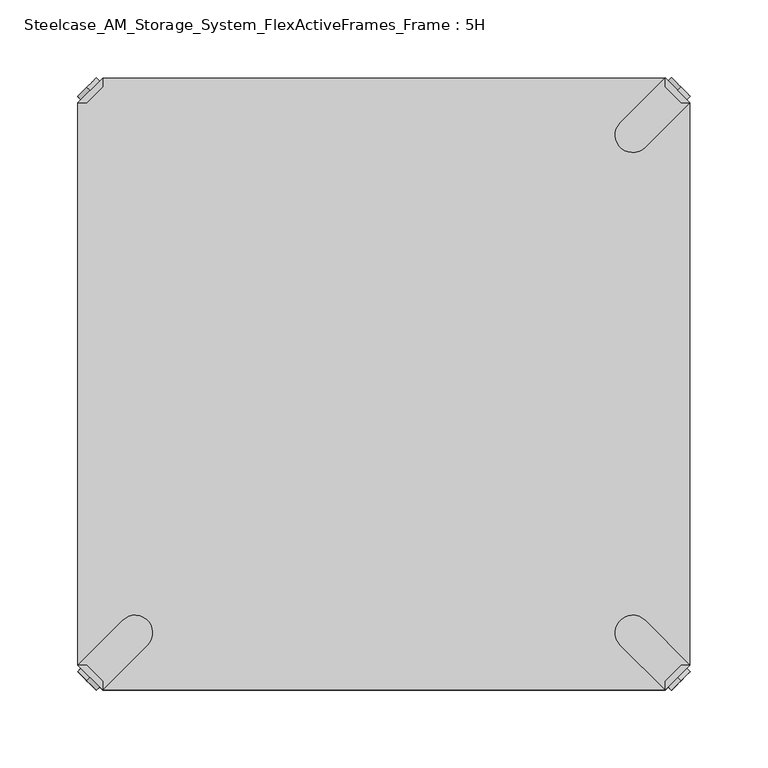
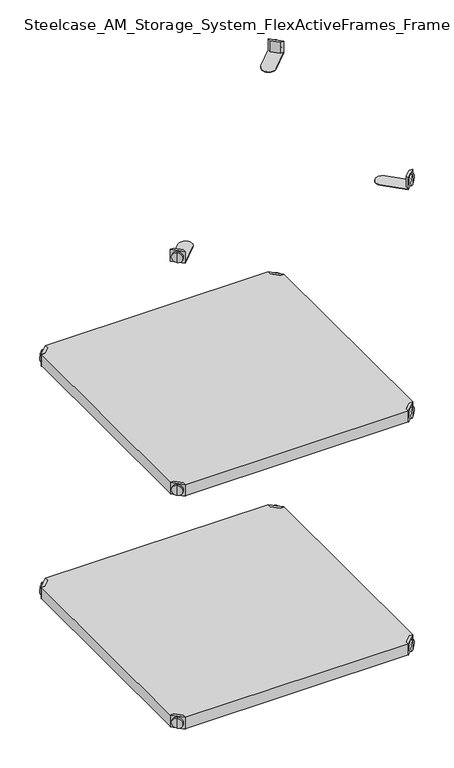
"""IFC4 building model written with IfcOpenShell, lengths in millimetres: furniture geometry, Steelcase_AM_Storage_System_FlexActiveFrames_Frame : 5H."""

from ifc_helpers import new_model, si_unit, frame, origin, place, context, project, spatial, polyline, circle_curve, outline, extrude, source, transform, mapped, element, save
from ifc_brep_helpers import plane_surface, cylinder_surface, advanced_brep


def steelcase_am_storage_system_flexactiveframes_frame_5h_7801c0e6(model_context):
    return source(origin(), model_context, "Body", "SolidModel", [
        advanced_brep(
        [(389.0398449, -10.9601551, 498.5), (389.0398449, -10.9601551, 507.0), (389.0398449, -10.9601551, 515.5), (391.1611652, -8.8388348, 498.5), (391.1611652, -8.8388348, 515.5), (391.1611652, -8.8388348, 507.0)],
        [
            (0, 1),
            (1, 2),
            (2, 0, circle_curve(frame((389.0398449, -10.9601551, 507.0), z_axis=(-0.7071067811865556, -0.7071067811865395, 0.0), x_axis=(0.0, 0.0, 1.0)), 8.5)),
            (0, 2, circle_curve(frame((389.0398449, -10.9601551, 507.0), z_axis=(-0.7071067811865556, -0.7071067811865395, 0.0), x_axis=(0.0, 0.0, 1.0)), 8.5)),
            (3, 0),
            (2, 4),
            (4, 3, circle_curve(frame((391.1611652, -8.8388348, 507.0), z_axis=(-0.7071067811865556, -0.7071067811865395, 0.0), x_axis=(0.0, 0.0, 1.0)), 8.5)),
            (3, 4, circle_curve(frame((391.1611652, -8.8388348, 507.0), z_axis=(-0.7071067811865556, -0.7071067811865395, 0.0), x_axis=(0.0, 0.0, 1.0)), 8.5)),
            (5, 3),
            (4, 5),
        ],
        [
            plane_surface(frame((389.0398449, -10.9601551, 507.0), z_axis=(-0.7071067811865552, -0.7071067811865399, 0.0), x_axis=(0.0, 0.0, 1.0))),
            cylinder_surface(frame((391.1611652, -8.8388348, 507.0), z_axis=(0.7071067811865556, 0.7071067811865395, 0.0), x_axis=(0.0, 0.0, 1.0)), 8.5),
            plane_surface(frame((391.1611652, -8.8388348, 507.0), z_axis=(0.7071067811865552, 0.7071067811865399, 0.0), x_axis=(0.0, 0.0, 1.0))),
        ],
        [
            (0, [[1, 2, 3]]),
            (0, [[-2, -1, 4]]),
            (1, [[5, -3, 6, 7]]),
            (1, [[-6, -4, -5, 8]]),
            (2, [[9, -7, 10]]),
            (2, [[-10, -8, -9]]),
        ],
    ),
        advanced_brep(
        [(381.0796898, -3.0, 517.0), (381.0796898, -8.6568542, 517.0), (391.3431458, -18.9203102, 517.0), (397.0, -18.9203102, 517.0), (397.0, -18.9203102, 498.0), (397.0, -18.9203102, 497.0), (381.0796898, -3.0, 497.0), (381.0796898, -3.0, 498.0), (381.0796898, -8.6568542, 498.0), (391.3431458, -18.9203102, 498.0), (352.2702923, -31.8093975, 498.0), (368.1906025, -47.7297077, 498.0), (368.1906025, -47.7297077, 497.0), (352.2702923, -31.8093975, 497.0)],
        [
            (0, 1),
            (1, 2),
            (2, 3),
            (3, 0),
            (3, 4),
            (4, 5),
            (5, 6),
            (6, 7),
            (7, 0),
            (1, 8),
            (8, 9),
            (9, 2),
            (7, 8),
            (9, 4),
            (7, 10),
            (10, 11, circle_curve(frame((360.2304474, -39.7695526, 498.0), z_axis=(0.0, 0.0, 1.0), x_axis=(-1.0, 0.0, 0.0)), 11.2573593)),
            (11, 4),
            (5, 12),
            (12, 13, circle_curve(frame((360.2304474, -39.7695526, 497.0), z_axis=(0.0, 0.0, -1.0), x_axis=(-1.0, 0.0, 0.0)), 11.2573593)),
            (13, 6),
            (11, 12),
            (10, 13),
        ],
        [
            plane_surface(frame((438.8756299, -60.7959401, 517.0), z_axis=(0.0, 0.0, 1.0000000000000002), x_axis=(0.7071067811865465, -0.7071067811865487, 0.0))),
            plane_surface(frame((381.0796898, -3.0, 517.0), z_axis=(0.7071067811865487, 0.7071067811865465, 0.0), x_axis=(0.0, 0.0, -1.0))),
            plane_surface(frame((391.3431458, -18.9203102, 517.0), z_axis=(-0.7071067811865573, -0.7071067811865377, 0.0), x_axis=(0.0, 0.0, -1.0))),
            plane_surface(frame((381.0796898, -8.6568542, 517.0), z_axis=(-1.0, 0.0, 0.0), x_axis=(0.0, 0.0, -1.0))),
            plane_surface(frame((397.0, -18.9203102, 517.0), z_axis=(0.0, -1.0, 0.0), x_axis=(0.0, 0.0, -1.0))),
            plane_surface(frame((397.0, -18.9203102, 498.0), z_axis=(0.0, 0.0, 1.0), x_axis=(0.7071067811865392, -0.7071067811865558, 0.0))),
            plane_surface(frame((397.0, -18.9203102, 497.0), z_axis=(0.0, 0.0, -1.0), x_axis=(-0.7071067811865392, 0.7071067811865558, 0.0))),
            plane_surface(frame((397.0, -18.9203102, 498.0), z_axis=(0.7071067811865399, -0.7071067811865552, 0.0), x_axis=(0.0, 0.0, -1.0))),
            cylinder_surface(frame((360.2304474, -39.7695526, 497.0), z_axis=(0.0, 0.0, 1.0), x_axis=(-1.0, 0.0, 0.0)), 11.2573593),
            plane_surface(frame((352.2702923, -31.8093975, 498.0), z_axis=(-0.7071067811865388, 0.7071067811865563, 0.0), x_axis=(0.0, 0.0, -1.0))),
        ],
        [
            (0, [[1, 2, 3, 4]]),
            (1, [[5, 6, 7, 8, 9, -4]]),
            (2, [[10, 11, 12, -2]]),
            (3, [[-9, 13, -10, -1]]),
            (4, [[-12, 14, -5, -3]]),
            (5, [[-14, -11, -13, 15, 16, 17]]),
            (6, [[-7, 18, 19, 20]]),
            (7, [[21, -18, -6, -17]]),
            (8, [[22, -19, -21, -16]]),
            (9, [[-8, -20, -22, -15]]),
        ],
    ),
        advanced_brep(
        [(389.0398449, -389.0398449, 498.5), (389.0398449, -389.0398449, 515.5), (389.0398449, -389.0398449, 507.0), (391.1611652, -391.1611652, 498.5), (391.1611652, -391.1611652, 515.5), (391.1611652, -391.1611652, 507.0)],
        [
            (0, 1, circle_curve(frame((389.0398449, -389.0398449, 507.0), z_axis=(-0.7071067811865509, 0.7071067811865441, 0.0), x_axis=(0.0, 0.0, 1.0)), 8.5)),
            (1, 2),
            (2, 0),
            (1, 0, circle_curve(frame((389.0398449, -389.0398449, 507.0), z_axis=(-0.7071067811865509, 0.7071067811865441, 0.0), x_axis=(0.0, 0.0, 1.0)), 8.5)),
            (3, 4, circle_curve(frame((391.1611652, -391.1611652, 507.0), z_axis=(-0.7071067811865509, 0.7071067811865441, 0.0), x_axis=(0.0, 0.0, 1.0)), 8.5)),
            (4, 1),
            (0, 3),
            (4, 3, circle_curve(frame((391.1611652, -391.1611652, 507.0), z_axis=(-0.7071067811865509, 0.7071067811865441, 0.0), x_axis=(0.0, 0.0, 1.0)), 8.5)),
            (5, 4),
            (3, 5),
        ],
        [
            plane_surface(frame((389.0398449, -389.0398449, 507.0), z_axis=(-0.7071067811865506, 0.7071067811865446, 0.0), x_axis=(0.0, 0.0, 1.0))),
            cylinder_surface(frame((391.1611652, -391.1611652, 507.0), z_axis=(0.7071067811865509, -0.7071067811865441, 0.0), x_axis=(0.0, 0.0, 1.0)), 8.5),
            plane_surface(frame((391.1611652, -391.1611652, 507.0), z_axis=(0.7071067811865506, -0.7071067811865446, 0.0), x_axis=(0.0, 0.0, 1.0))),
        ],
        [
            (0, [[1, 2, 3]]),
            (0, [[4, -3, -2]]),
            (1, [[5, 6, -1, 7]]),
            (1, [[8, -7, -4, -6]]),
            (2, [[9, -5, 10]]),
            (2, [[-10, -8, -9]]),
        ],
    ),
        advanced_brep(
        [(381.0796898, -397.0, 517.0), (397.0, -381.0796898, 517.0), (391.3431458, -381.0796898, 517.0), (381.0796898, -391.3431458, 517.0), (381.0796898, -397.0, 498.0), (381.0796898, -397.0, 497.0), (397.0, -381.0796898, 497.0), (397.0, -381.0796898, 498.0), (391.3431458, -381.0796898, 498.0), (381.0796898, -391.3431458, 498.0), (368.1906025, -352.2702923, 498.0), (352.2702923, -368.1906025, 498.0), (352.2702923, -368.1906025, 497.0), (368.1906025, -352.2702923, 497.0)],
        [
            (0, 1),
            (1, 2),
            (2, 3),
            (3, 0),
            (0, 4),
            (4, 5),
            (5, 6),
            (6, 7),
            (7, 1),
            (2, 8),
            (8, 9),
            (9, 3),
            (9, 4),
            (7, 8),
            (7, 10),
            (10, 11, circle_curve(frame((360.2304474, -360.2304474, 498.0), z_axis=(0.0, 0.0, 1.0), x_axis=(-1.0, 0.0, 0.0)), 11.2573593)),
            (11, 4),
            (5, 12),
            (12, 13, circle_curve(frame((360.2304474, -360.2304474, 497.0), z_axis=(0.0, 0.0, -1.0), x_axis=(-1.0, 0.0, 0.0)), 11.2573593)),
            (13, 6),
            (13, 10),
            (12, 11),
        ],
        [
            plane_surface(frame((438.8756299, -339.2040599, 517.0), z_axis=(0.0, 0.0, 1.0000000000000002), x_axis=(0.7071067811865511, 0.707106781186544, 0.0))),
            plane_surface(frame((381.0796898, -397.0, 517.0), z_axis=(0.707106781186544, -0.7071067811865511, 0.0), x_axis=(0.0, 0.0, -1.0))),
            plane_surface(frame((391.3431458, -381.0796898, 517.0), z_axis=(-0.7071067811865527, 0.7071067811865424, 0.0), x_axis=(0.0, 0.0, -1.0))),
            plane_surface(frame((381.0796898, -391.3431458, 517.0), z_axis=(-1.0, 0.0, 0.0), x_axis=(0.0, 0.0, -1.0))),
            plane_surface(frame((397.0, -381.0796898, 517.0), z_axis=(0.0, 1.0, 0.0), x_axis=(0.0, 0.0, -1.0))),
            plane_surface(frame((397.0, -381.0796898, 498.0), z_axis=(0.0, 0.0, 1.0), x_axis=(0.7071067811865439, 0.7071067811865511, 0.0))),
            plane_surface(frame((397.0, -381.0796898, 497.0), z_axis=(0.0, 0.0, -1.0), x_axis=(-0.7071067811865439, -0.7071067811865511, 0.0))),
            plane_surface(frame((397.0, -381.0796898, 498.0), z_axis=(0.7071067811865446, 0.7071067811865506, 0.0), x_axis=(0.0, 0.0, -1.0))),
            cylinder_surface(frame((360.2304474, -360.2304474, 497.0), z_axis=(0.0, 0.0, 1.0), x_axis=(-1.0, 0.0, 0.0)), 11.2573593),
            plane_surface(frame((352.2702923, -368.1906025, 498.0), z_axis=(-0.7071067811865435, -0.7071067811865517, 0.0), x_axis=(0.0, 0.0, -1.0))),
        ],
        [
            (0, [[1, 2, 3, 4]]),
            (1, [[-1, 5, 6, 7, 8, 9]]),
            (2, [[-3, 10, 11, 12]]),
            (3, [[-4, -12, 13, -5]]),
            (4, [[-2, -9, 14, -10]]),
            (5, [[15, 16, 17, -13, -11, -14]]),
            (6, [[18, 19, 20, -7]]),
            (7, [[-15, -8, -20, 21]]),
            (8, [[-16, -21, -19, 22]]),
            (9, [[-17, -22, -18, -6]]),
        ],
    ),
        advanced_brep(
        [(10.9601551, -389.0398449, 498.5), (10.9601551, -389.0398449, 507.0), (10.9601551, -389.0398449, 515.5), (8.8388348, -391.1611652, 498.5), (8.8388348, -391.1611652, 515.5), (8.8388348, -391.1611652, 507.0)],
        [
            (0, 1),
            (1, 2),
            (2, 0, circle_curve(frame((10.9601551, -389.0398449, 507.0), z_axis=(0.7071067811865509, 0.7071067811865441, 0.0), x_axis=(0.0, 0.0, 1.0)), 8.5)),
            (0, 2, circle_curve(frame((10.9601551, -389.0398449, 507.0), z_axis=(0.7071067811865509, 0.7071067811865441, 0.0), x_axis=(0.0, 0.0, 1.0)), 8.5)),
            (3, 0),
            (2, 4),
            (4, 3, circle_curve(frame((8.8388348, -391.1611652, 507.0), z_axis=(0.7071067811865509, 0.7071067811865441, 0.0), x_axis=(0.0, 0.0, 1.0)), 8.5)),
            (3, 4, circle_curve(frame((8.8388348, -391.1611652, 507.0), z_axis=(0.7071067811865509, 0.7071067811865441, 0.0), x_axis=(0.0, 0.0, 1.0)), 8.5)),
            (5, 3),
            (4, 5),
        ],
        [
            plane_surface(frame((10.9601551, -389.0398449, 507.0), z_axis=(0.7071067811865506, 0.7071067811865446, 0.0), x_axis=(0.0, 0.0, 1.0))),
            cylinder_surface(frame((8.8388348, -391.1611652, 507.0), z_axis=(-0.7071067811865509, -0.7071067811865441, 0.0), x_axis=(0.0, 0.0, 1.0)), 8.5),
            plane_surface(frame((8.8388348, -391.1611652, 507.0), z_axis=(-0.7071067811865506, -0.7071067811865446, 0.0), x_axis=(0.0, 0.0, 1.0))),
        ],
        [
            (0, [[1, 2, 3]]),
            (0, [[-2, -1, 4]]),
            (1, [[5, -3, 6, 7]]),
            (1, [[-6, -4, -5, 8]]),
            (2, [[9, -7, 10]]),
            (2, [[-10, -8, -9]]),
        ],
    ),
        advanced_brep(
        [(18.9203102, -397.0, 517.0), (18.9203102, -391.3431458, 517.0), (8.6568542, -381.0796898, 517.0), (3.0, -381.0796898, 517.0), (3.0, -381.0796898, 498.0), (3.0, -381.0796898, 497.0), (18.9203102, -397.0, 497.0), (18.9203102, -397.0, 498.0), (18.9203102, -391.3431458, 498.0), (8.6568542, -381.0796898, 498.0), (47.7297077, -368.1906025, 498.0), (31.8093975, -352.2702923, 498.0), (31.8093975, -352.2702923, 497.0), (47.7297077, -368.1906025, 497.0)],
        [
            (0, 1),
            (1, 2),
            (2, 3),
            (3, 0),
            (3, 4),
            (4, 5),
            (5, 6),
            (6, 7),
            (7, 0),
            (1, 8),
            (8, 9),
            (9, 2),
            (7, 8),
            (9, 4),
            (7, 10),
            (10, 11, circle_curve(frame((39.7695526, -360.2304474, 498.0), z_axis=(0.0, 0.0, 1.0), x_axis=(1.0, 0.0, 0.0)), 11.2573593)),
            (11, 4),
            (5, 12),
            (12, 13, circle_curve(frame((39.7695526, -360.2304474, 497.0), z_axis=(0.0, 0.0, -1.0), x_axis=(1.0, 0.0, 0.0)), 11.2573593)),
            (13, 6),
            (11, 12),
            (10, 13),
        ],
        [
            plane_surface(frame((-38.8756299, -339.2040599, 517.0), z_axis=(0.0, 0.0, 1.0000000000000002), x_axis=(-0.7071067811865511, 0.707106781186544, 0.0))),
            plane_surface(frame((18.9203102, -397.0, 517.0), z_axis=(-0.707106781186544, -0.7071067811865511, 0.0), x_axis=(0.0, 0.0, -1.0))),
            plane_surface(frame((8.6568542, -381.0796898, 517.0), z_axis=(0.7071067811865527, 0.7071067811865424, 0.0), x_axis=(0.0, 0.0, -1.0))),
            plane_surface(frame((18.9203102, -391.3431458, 517.0), z_axis=(1.0, 0.0, 0.0), x_axis=(0.0, 0.0, -1.0))),
            plane_surface(frame((3.0, -381.0796898, 517.0), z_axis=(0.0, 1.0, 0.0), x_axis=(0.0, 0.0, -1.0))),
            plane_surface(frame((3.0, -381.0796898, 498.0), z_axis=(0.0, 0.0, 1.0), x_axis=(-0.7071067811865439, 0.7071067811865511, 0.0))),
            plane_surface(frame((3.0, -381.0796898, 497.0), z_axis=(0.0, 0.0, -1.0), x_axis=(0.7071067811865439, -0.7071067811865511, 0.0))),
            plane_surface(frame((3.0, -381.0796898, 498.0), z_axis=(-0.7071067811865446, 0.7071067811865506, 0.0), x_axis=(0.0, 0.0, -1.0))),
            cylinder_surface(frame((39.7695526, -360.2304474, 497.0), z_axis=(0.0, 0.0, 1.0), x_axis=(1.0, 0.0, 0.0)), 11.2573593),
            plane_surface(frame((47.7297077, -368.1906025, 498.0), z_axis=(0.7071067811865435, -0.7071067811865517, 0.0), x_axis=(0.0, 0.0, -1.0))),
        ],
        [
            (0, [[1, 2, 3, 4]]),
            (1, [[5, 6, 7, 8, 9, -4]]),
            (2, [[10, 11, 12, -2]]),
            (3, [[-9, 13, -10, -1]]),
            (4, [[-12, 14, -5, -3]]),
            (5, [[-14, -11, -13, 15, 16, 17]]),
            (6, [[-7, 18, 19, 20]]),
            (7, [[21, -18, -6, -17]]),
            (8, [[22, -19, -21, -16]]),
            (9, [[-8, -20, -22, -15]]),
        ],
    ),
        advanced_brep(
        [(10.9601551, -10.9601551, 498.5), (10.9601551, -10.9601551, 515.5), (10.9601551, -10.9601551, 507.0), (8.8388348, -8.8388348, 498.5), (8.8388348, -8.8388348, 515.5), (8.8388348, -8.8388348, 507.0)],
        [
            (0, 1, circle_curve(frame((10.9601551, -10.9601551, 507.0), z_axis=(0.7071067811865464, -0.7071067811865487, 0.0), x_axis=(0.0, 0.0, 1.0)), 8.5)),
            (1, 2),
            (2, 0),
            (1, 0, circle_curve(frame((10.9601551, -10.9601551, 507.0), z_axis=(0.7071067811865464, -0.7071067811865487, 0.0), x_axis=(0.0, 0.0, 1.0)), 8.5)),
            (3, 4, circle_curve(frame((8.8388348, -8.8388348, 507.0), z_axis=(0.7071067811865464, -0.7071067811865487, 0.0), x_axis=(0.0, 0.0, 1.0)), 8.5)),
            (4, 1),
            (0, 3),
            (4, 3, circle_curve(frame((8.8388348, -8.8388348, 507.0), z_axis=(0.7071067811865464, -0.7071067811865487, 0.0), x_axis=(0.0, 0.0, 1.0)), 8.5)),
            (5, 4),
            (3, 5),
        ],
        [
            plane_surface(frame((10.9601551, -10.9601551, 507.0), z_axis=(0.707106781186546, -0.7071067811865491, 0.0), x_axis=(0.0, 0.0, 1.0))),
            cylinder_surface(frame((8.8388348, -8.8388348, 507.0), z_axis=(-0.7071067811865464, 0.7071067811865487, 0.0), x_axis=(0.0, 0.0, 1.0)), 8.5),
            plane_surface(frame((8.8388348, -8.8388348, 507.0), z_axis=(-0.707106781186546, 0.7071067811865491, 0.0), x_axis=(0.0, 0.0, 1.0))),
        ],
        [
            (0, [[1, 2, 3]]),
            (0, [[4, -3, -2]]),
            (1, [[5, 6, -1, 7]]),
            (1, [[8, -7, -4, -6]]),
            (2, [[9, -5, 10]]),
            (2, [[-10, -8, -9]]),
        ],
    ),
        advanced_brep(
        [(18.9203102, -3.0, 517.0), (3.0, -18.9203102, 517.0), (8.6568542, -18.9203102, 517.0), (18.9203102, -8.6568542, 517.0), (18.9203102, -3.0, 498.0), (18.9203102, -3.0, 497.0), (3.0, -18.9203102, 497.0), (3.0, -18.9203102, 498.0), (8.6568542, -18.9203102, 498.0), (18.9203102, -8.6568542, 498.0), (31.8093975, -47.7297077, 498.0), (47.7297077, -31.8093975, 498.0), (47.7297077, -31.8093975, 497.0), (31.8093975, -47.7297077, 497.0)],
        [
            (0, 1),
            (1, 2),
            (2, 3),
            (3, 0),
            (0, 4),
            (4, 5),
            (5, 6),
            (6, 7),
            (7, 1),
            (2, 8),
            (8, 9),
            (9, 3),
            (9, 4),
            (7, 8),
            (7, 10),
            (10, 11, circle_curve(frame((39.7695526, -39.7695526, 498.0), z_axis=(0.0, 0.0, 1.0), x_axis=(1.0, 0.0, 0.0)), 11.2573593)),
            (11, 4),
            (5, 12),
            (12, 13, circle_curve(frame((39.7695526, -39.7695526, 497.0), z_axis=(0.0, 0.0, -1.0), x_axis=(1.0, 0.0, 0.0)), 11.2573593)),
            (13, 6),
            (13, 10),
            (12, 11),
        ],
        [
            plane_surface(frame((-38.8756299, -60.7959401, 517.0), z_axis=(0.0, 0.0, 1.0000000000000002), x_axis=(-0.7071067811865557, -0.7071067811865395, 0.0))),
            plane_surface(frame((18.9203102, -3.0, 517.0), z_axis=(-0.7071067811865395, 0.7071067811865557, 0.0), x_axis=(0.0, 0.0, -1.0))),
            plane_surface(frame((8.6568542, -18.9203102, 517.0), z_axis=(0.7071067811865481, -0.7071067811865469, 0.0), x_axis=(0.0, 0.0, -1.0))),
            plane_surface(frame((18.9203102, -8.6568542, 517.0), z_axis=(1.0, 0.0, 0.0), x_axis=(0.0, 0.0, -1.0))),
            plane_surface(frame((3.0, -18.9203102, 517.0), z_axis=(0.0, -1.0, 0.0), x_axis=(0.0, 0.0, -1.0))),
            plane_surface(frame((3.0, -18.9203102, 498.0), z_axis=(0.0, 0.0, 1.0), x_axis=(-0.7071067811865485, -0.7071067811865466, 0.0))),
            plane_surface(frame((3.0, -18.9203102, 497.0), z_axis=(0.0, 0.0, -1.0), x_axis=(0.7071067811865485, 0.7071067811865466, 0.0))),
            plane_surface(frame((3.0, -18.9203102, 498.0), z_axis=(-0.7071067811865491, -0.707106781186546, 0.0), x_axis=(0.0, 0.0, -1.0))),
            cylinder_surface(frame((39.7695526, -39.7695526, 497.0), z_axis=(0.0, 0.0, 1.0), x_axis=(1.0, 0.0, 0.0)), 11.2573593),
            plane_surface(frame((47.7297077, -31.8093975, 498.0), z_axis=(0.707106781186548, 0.7071067811865471, 0.0), x_axis=(0.0, 0.0, -1.0))),
        ],
        [
            (0, [[1, 2, 3, 4]]),
            (1, [[-1, 5, 6, 7, 8, 9]]),
            (2, [[-3, 10, 11, 12]]),
            (3, [[-4, -12, 13, -5]]),
            (4, [[-2, -9, 14, -10]]),
            (5, [[15, 16, 17, -13, -11, -14]]),
            (6, [[18, 19, 20, -7]]),
            (7, [[-15, -8, -20, 21]]),
            (8, [[-16, -21, -19, 22]]),
            (9, [[-17, -22, -18, -6]]),
        ],
    ),
        extrude(outline(polyline([(381.0796898, -3.0), (381.0796898, -8.6568542), (391.3431458, -18.9203102), (397.0, -18.9203102), (397.0, -381.0796898), (391.3431458, -381.0796898), (381.0796898, -391.3431458), (381.0796898, -397.0), (18.9203102, -397.0), (18.9203102, -391.3431458), (8.6568542, -381.0796898), (3.0, -381.0796898), (3.0, -18.9203102), (8.6568542, -18.9203102), (18.9203102, -8.6568542), (18.9203102, -3.0), (381.0796898, -3.0)])), frame((0.0, 0.0, 498.0), z_axis=(0.0, 0.0, 1.0), x_axis=(1.0, 0.0, 0.0)), (0.0, 0.0, 1.0), 19.0),
        advanced_brep(
        [(389.0398449, -10.9601551, 898.5), (389.0398449, -10.9601551, 907.0), (389.0398449, -10.9601551, 915.5), (391.1611652, -8.8388348, 898.5), (391.1611652, -8.8388348, 915.5), (391.1611652, -8.8388348, 907.0)],
        [
            (0, 1),
            (1, 2),
            (2, 0, circle_curve(frame((389.0398449, -10.9601551, 907.0), z_axis=(-0.7071067811865556, -0.7071067811865395, 0.0), x_axis=(0.0, 0.0, 1.0)), 8.5)),
            (0, 2, circle_curve(frame((389.0398449, -10.9601551, 907.0), z_axis=(-0.7071067811865556, -0.7071067811865395, 0.0), x_axis=(0.0, 0.0, 1.0)), 8.5)),
            (3, 0),
            (2, 4),
            (4, 3, circle_curve(frame((391.1611652, -8.8388348, 907.0), z_axis=(-0.7071067811865556, -0.7071067811865395, 0.0), x_axis=(0.0, 0.0, 1.0)), 8.5)),
            (3, 4, circle_curve(frame((391.1611652, -8.8388348, 907.0), z_axis=(-0.7071067811865556, -0.7071067811865395, 0.0), x_axis=(0.0, 0.0, 1.0)), 8.5)),
            (5, 3),
            (4, 5),
        ],
        [
            plane_surface(frame((389.0398449, -10.9601551, 907.0), z_axis=(-0.7071067811865552, -0.7071067811865399, 0.0), x_axis=(0.0, 0.0, 1.0))),
            cylinder_surface(frame((391.1611652, -8.8388348, 907.0), z_axis=(0.7071067811865556, 0.7071067811865395, 0.0), x_axis=(0.0, 0.0, 1.0)), 8.5),
            plane_surface(frame((391.1611652, -8.8388348, 907.0), z_axis=(0.7071067811865552, 0.7071067811865399, 0.0), x_axis=(0.0, 0.0, 1.0))),
        ],
        [
            (0, [[1, 2, 3]]),
            (0, [[-2, -1, 4]]),
            (1, [[5, -3, 6, 7]]),
            (1, [[-6, -4, -5, 8]]),
            (2, [[9, -7, 10]]),
            (2, [[-10, -8, -9]]),
        ],
    ),
        advanced_brep(
        [(381.0796898, -3.0, 917.0), (381.0796898, -8.6568542, 917.0), (391.3431458, -18.9203102, 917.0), (397.0, -18.9203102, 917.0), (397.0, -18.9203102, 898.0), (397.0, -18.9203102, 897.0), (381.0796898, -3.0, 897.0), (381.0796898, -3.0, 898.0), (381.0796898, -8.6568542, 898.0), (391.3431458, -18.9203102, 898.0), (352.2702923, -31.8093975, 898.0), (368.1906025, -47.7297077, 898.0), (368.1906025, -47.7297077, 897.0), (352.2702923, -31.8093975, 897.0)],
        [
            (0, 1),
            (1, 2),
            (2, 3),
            (3, 0),
            (3, 4),
            (4, 5),
            (5, 6),
            (6, 7),
            (7, 0),
            (1, 8),
            (8, 9),
            (9, 2),
            (7, 8),
            (9, 4),
            (7, 10),
            (10, 11, circle_curve(frame((360.2304474, -39.7695526, 898.0), z_axis=(0.0, 0.0, 1.0), x_axis=(-1.0, 0.0, 0.0)), 11.2573593)),
            (11, 4),
            (5, 12),
            (12, 13, circle_curve(frame((360.2304474, -39.7695526, 897.0), z_axis=(0.0, 0.0, -1.0), x_axis=(-1.0, 0.0, 0.0)), 11.2573593)),
            (13, 6),
            (11, 12),
            (10, 13),
        ],
        [
            plane_surface(frame((438.8756299, -60.7959401, 917.0), z_axis=(0.0, 0.0, 1.0000000000000002), x_axis=(0.7071067811865465, -0.7071067811865487, 0.0))),
            plane_surface(frame((381.0796898, -3.0, 917.0), z_axis=(0.7071067811865487, 0.7071067811865465, 0.0), x_axis=(0.0, 0.0, -1.0))),
            plane_surface(frame((391.3431458, -18.9203102, 917.0), z_axis=(-0.7071067811865573, -0.7071067811865377, 0.0), x_axis=(0.0, 0.0, -1.0))),
            plane_surface(frame((381.0796898, -8.6568542, 917.0), z_axis=(-1.0, 0.0, 0.0), x_axis=(0.0, 0.0, -1.0))),
            plane_surface(frame((397.0, -18.9203102, 917.0), z_axis=(0.0, -1.0, 0.0), x_axis=(0.0, 0.0, -1.0))),
            plane_surface(frame((397.0, -18.9203102, 898.0), z_axis=(0.0, 0.0, 1.0), x_axis=(0.7071067811865392, -0.7071067811865558, 0.0))),
            plane_surface(frame((397.0, -18.9203102, 897.0), z_axis=(0.0, 0.0, -1.0), x_axis=(-0.7071067811865392, 0.7071067811865558, 0.0))),
            plane_surface(frame((397.0, -18.9203102, 898.0), z_axis=(0.7071067811865399, -0.7071067811865552, 0.0), x_axis=(0.0, 0.0, -1.0))),
            cylinder_surface(frame((360.2304474, -39.7695526, 897.0), z_axis=(0.0, 0.0, 1.0), x_axis=(-1.0, 0.0, 0.0)), 11.2573593),
            plane_surface(frame((352.2702923, -31.8093975, 898.0), z_axis=(-0.7071067811865388, 0.7071067811865563, 0.0), x_axis=(0.0, 0.0, -1.0))),
        ],
        [
            (0, [[1, 2, 3, 4]]),
            (1, [[5, 6, 7, 8, 9, -4]]),
            (2, [[10, 11, 12, -2]]),
            (3, [[-9, 13, -10, -1]]),
            (4, [[-12, 14, -5, -3]]),
            (5, [[-14, -11, -13, 15, 16, 17]]),
            (6, [[-7, 18, 19, 20]]),
            (7, [[21, -18, -6, -17]]),
            (8, [[22, -19, -21, -16]]),
            (9, [[-8, -20, -22, -15]]),
        ],
    ),
        advanced_brep(
        [(389.0398449, -389.0398449, 898.5), (389.0398449, -389.0398449, 915.5), (389.0398449, -389.0398449, 907.0), (391.1611652, -391.1611652, 898.5), (391.1611652, -391.1611652, 915.5), (391.1611652, -391.1611652, 907.0)],
        [
            (0, 1, circle_curve(frame((389.0398449, -389.0398449, 907.0), z_axis=(-0.7071067811865509, 0.7071067811865441, 0.0), x_axis=(0.0, 0.0, 1.0)), 8.5)),
            (1, 2),
            (2, 0),
            (1, 0, circle_curve(frame((389.0398449, -389.0398449, 907.0), z_axis=(-0.7071067811865509, 0.7071067811865441, 0.0), x_axis=(0.0, 0.0, 1.0)), 8.5)),
            (3, 4, circle_curve(frame((391.1611652, -391.1611652, 907.0), z_axis=(-0.7071067811865509, 0.7071067811865441, 0.0), x_axis=(0.0, 0.0, 1.0)), 8.5)),
            (4, 1),
            (0, 3),
            (4, 3, circle_curve(frame((391.1611652, -391.1611652, 907.0), z_axis=(-0.7071067811865509, 0.7071067811865441, 0.0), x_axis=(0.0, 0.0, 1.0)), 8.5)),
            (5, 4),
            (3, 5),
        ],
        [
            plane_surface(frame((389.0398449, -389.0398449, 907.0), z_axis=(-0.7071067811865506, 0.7071067811865446, 0.0), x_axis=(0.0, 0.0, 1.0))),
            cylinder_surface(frame((391.1611652, -391.1611652, 907.0), z_axis=(0.7071067811865509, -0.7071067811865441, 0.0), x_axis=(0.0, 0.0, 1.0)), 8.5),
            plane_surface(frame((391.1611652, -391.1611652, 907.0), z_axis=(0.7071067811865506, -0.7071067811865446, 0.0), x_axis=(0.0, 0.0, 1.0))),
        ],
        [
            (0, [[1, 2, 3]]),
            (0, [[4, -3, -2]]),
            (1, [[5, 6, -1, 7]]),
            (1, [[8, -7, -4, -6]]),
            (2, [[9, -5, 10]]),
            (2, [[-10, -8, -9]]),
        ],
    ),
        advanced_brep(
        [(381.0796898, -397.0, 917.0), (397.0, -381.0796898, 917.0), (391.3431458, -381.0796898, 917.0), (381.0796898, -391.3431458, 917.0), (381.0796898, -397.0, 898.0), (381.0796898, -397.0, 897.0), (397.0, -381.0796898, 897.0), (397.0, -381.0796898, 898.0), (391.3431458, -381.0796898, 898.0), (381.0796898, -391.3431458, 898.0), (368.1906025, -352.2702923, 898.0), (352.2702923, -368.1906025, 898.0), (352.2702923, -368.1906025, 897.0), (368.1906025, -352.2702923, 897.0)],
        [
            (0, 1),
            (1, 2),
            (2, 3),
            (3, 0),
            (0, 4),
            (4, 5),
            (5, 6),
            (6, 7),
            (7, 1),
            (2, 8),
            (8, 9),
            (9, 3),
            (9, 4),
            (7, 8),
            (7, 10),
            (10, 11, circle_curve(frame((360.2304474, -360.2304474, 898.0), z_axis=(0.0, 0.0, 1.0), x_axis=(-1.0, 0.0, 0.0)), 11.2573593)),
            (11, 4),
            (5, 12),
            (12, 13, circle_curve(frame((360.2304474, -360.2304474, 897.0), z_axis=(0.0, 0.0, -1.0), x_axis=(-1.0, 0.0, 0.0)), 11.2573593)),
            (13, 6),
            (13, 10),
            (12, 11),
        ],
        [
            plane_surface(frame((438.8756299, -339.2040599, 917.0), z_axis=(0.0, 0.0, 1.0000000000000002), x_axis=(0.7071067811865511, 0.707106781186544, 0.0))),
            plane_surface(frame((381.0796898, -397.0, 917.0), z_axis=(0.707106781186544, -0.7071067811865511, 0.0), x_axis=(0.0, 0.0, -1.0))),
            plane_surface(frame((391.3431458, -381.0796898, 917.0), z_axis=(-0.7071067811865527, 0.7071067811865424, 0.0), x_axis=(0.0, 0.0, -1.0))),
            plane_surface(frame((381.0796898, -391.3431458, 917.0), z_axis=(-1.0, 0.0, 0.0), x_axis=(0.0, 0.0, -1.0))),
            plane_surface(frame((397.0, -381.0796898, 917.0), z_axis=(0.0, 1.0, 0.0), x_axis=(0.0, 0.0, -1.0))),
            plane_surface(frame((397.0, -381.0796898, 898.0), z_axis=(0.0, 0.0, 1.0), x_axis=(0.7071067811865439, 0.7071067811865511, 0.0))),
            plane_surface(frame((397.0, -381.0796898, 897.0), z_axis=(0.0, 0.0, -1.0), x_axis=(-0.7071067811865439, -0.7071067811865511, 0.0))),
            plane_surface(frame((397.0, -381.0796898, 898.0), z_axis=(0.7071067811865446, 0.7071067811865506, 0.0), x_axis=(0.0, 0.0, -1.0))),
            cylinder_surface(frame((360.2304474, -360.2304474, 897.0), z_axis=(0.0, 0.0, 1.0), x_axis=(-1.0, 0.0, 0.0)), 11.2573593),
            plane_surface(frame((352.2702923, -368.1906025, 898.0), z_axis=(-0.7071067811865435, -0.7071067811865517, 0.0), x_axis=(0.0, 0.0, -1.0))),
        ],
        [
            (0, [[1, 2, 3, 4]]),
            (1, [[-1, 5, 6, 7, 8, 9]]),
            (2, [[-3, 10, 11, 12]]),
            (3, [[-4, -12, 13, -5]]),
            (4, [[-2, -9, 14, -10]]),
            (5, [[15, 16, 17, -13, -11, -14]]),
            (6, [[18, 19, 20, -7]]),
            (7, [[-15, -8, -20, 21]]),
            (8, [[-16, -21, -19, 22]]),
            (9, [[-17, -22, -18, -6]]),
        ],
    ),
        advanced_brep(
        [(10.9601551, -389.0398449, 898.5), (10.9601551, -389.0398449, 907.0), (10.9601551, -389.0398449, 915.5), (8.8388348, -391.1611652, 898.5), (8.8388348, -391.1611652, 915.5), (8.8388348, -391.1611652, 907.0)],
        [
            (0, 1),
            (1, 2),
            (2, 0, circle_curve(frame((10.9601551, -389.0398449, 907.0), z_axis=(0.7071067811865509, 0.7071067811865441, 0.0), x_axis=(0.0, 0.0, 1.0)), 8.5)),
            (0, 2, circle_curve(frame((10.9601551, -389.0398449, 907.0), z_axis=(0.7071067811865509, 0.7071067811865441, 0.0), x_axis=(0.0, 0.0, 1.0)), 8.5)),
            (3, 0),
            (2, 4),
            (4, 3, circle_curve(frame((8.8388348, -391.1611652, 907.0), z_axis=(0.7071067811865509, 0.7071067811865441, 0.0), x_axis=(0.0, 0.0, 1.0)), 8.5)),
            (3, 4, circle_curve(frame((8.8388348, -391.1611652, 907.0), z_axis=(0.7071067811865509, 0.7071067811865441, 0.0), x_axis=(0.0, 0.0, 1.0)), 8.5)),
            (5, 3),
            (4, 5),
        ],
        [
            plane_surface(frame((10.9601551, -389.0398449, 907.0), z_axis=(0.7071067811865506, 0.7071067811865446, 0.0), x_axis=(0.0, 0.0, 1.0))),
            cylinder_surface(frame((8.8388348, -391.1611652, 907.0), z_axis=(-0.7071067811865509, -0.7071067811865441, 0.0), x_axis=(0.0, 0.0, 1.0)), 8.5),
            plane_surface(frame((8.8388348, -391.1611652, 907.0), z_axis=(-0.7071067811865506, -0.7071067811865446, 0.0), x_axis=(0.0, 0.0, 1.0))),
        ],
        [
            (0, [[1, 2, 3]]),
            (0, [[-2, -1, 4]]),
            (1, [[5, -3, 6, 7]]),
            (1, [[-6, -4, -5, 8]]),
            (2, [[9, -7, 10]]),
            (2, [[-10, -8, -9]]),
        ],
    ),
        advanced_brep(
        [(18.9203102, -397.0, 917.0), (18.9203102, -391.3431458, 917.0), (8.6568542, -381.0796898, 917.0), (3.0, -381.0796898, 917.0), (3.0, -381.0796898, 898.0), (3.0, -381.0796898, 897.0), (18.9203102, -397.0, 897.0), (18.9203102, -397.0, 898.0), (18.9203102, -391.3431458, 898.0), (8.6568542, -381.0796898, 898.0), (47.7297077, -368.1906025, 898.0), (31.8093975, -352.2702923, 898.0), (31.8093975, -352.2702923, 897.0), (47.7297077, -368.1906025, 897.0)],
        [
            (0, 1),
            (1, 2),
            (2, 3),
            (3, 0),
            (3, 4),
            (4, 5),
            (5, 6),
            (6, 7),
            (7, 0),
            (1, 8),
            (8, 9),
            (9, 2),
            (7, 8),
            (9, 4),
            (7, 10),
            (10, 11, circle_curve(frame((39.7695526, -360.2304474, 898.0), z_axis=(0.0, 0.0, 1.0), x_axis=(1.0, 0.0, 0.0)), 11.2573593)),
            (11, 4),
            (5, 12),
            (12, 13, circle_curve(frame((39.7695526, -360.2304474, 897.0), z_axis=(0.0, 0.0, -1.0), x_axis=(1.0, 0.0, 0.0)), 11.2573593)),
            (13, 6),
            (11, 12),
            (10, 13),
        ],
        [
            plane_surface(frame((-38.8756299, -339.2040599, 917.0), z_axis=(0.0, 0.0, 1.0000000000000002), x_axis=(-0.7071067811865511, 0.707106781186544, 0.0))),
            plane_surface(frame((18.9203102, -397.0, 917.0), z_axis=(-0.707106781186544, -0.7071067811865511, 0.0), x_axis=(0.0, 0.0, -1.0))),
            plane_surface(frame((8.6568542, -381.0796898, 917.0), z_axis=(0.7071067811865527, 0.7071067811865424, 0.0), x_axis=(0.0, 0.0, -1.0))),
            plane_surface(frame((18.9203102, -391.3431458, 917.0), z_axis=(1.0, 0.0, 0.0), x_axis=(0.0, 0.0, -1.0))),
            plane_surface(frame((3.0, -381.0796898, 917.0), z_axis=(0.0, 1.0, 0.0), x_axis=(0.0, 0.0, -1.0))),
            plane_surface(frame((3.0, -381.0796898, 898.0), z_axis=(0.0, 0.0, 1.0), x_axis=(-0.7071067811865439, 0.7071067811865511, 0.0))),
            plane_surface(frame((3.0, -381.0796898, 897.0), z_axis=(0.0, 0.0, -1.0), x_axis=(0.7071067811865439, -0.7071067811865511, 0.0))),
            plane_surface(frame((3.0, -381.0796898, 898.0), z_axis=(-0.7071067811865446, 0.7071067811865506, 0.0), x_axis=(0.0, 0.0, -1.0))),
            cylinder_surface(frame((39.7695526, -360.2304474, 897.0), z_axis=(0.0, 0.0, 1.0), x_axis=(1.0, 0.0, 0.0)), 11.2573593),
            plane_surface(frame((47.7297077, -368.1906025, 898.0), z_axis=(0.7071067811865435, -0.7071067811865517, 0.0), x_axis=(0.0, 0.0, -1.0))),
        ],
        [
            (0, [[1, 2, 3, 4]]),
            (1, [[5, 6, 7, 8, 9, -4]]),
            (2, [[10, 11, 12, -2]]),
            (3, [[-9, 13, -10, -1]]),
            (4, [[-12, 14, -5, -3]]),
            (5, [[-14, -11, -13, 15, 16, 17]]),
            (6, [[-7, 18, 19, 20]]),
            (7, [[21, -18, -6, -17]]),
            (8, [[22, -19, -21, -16]]),
            (9, [[-8, -20, -22, -15]]),
        ],
    ),
        advanced_brep(
        [(10.9601551, -10.9601551, 898.5), (10.9601551, -10.9601551, 915.5), (10.9601551, -10.9601551, 907.0), (8.8388348, -8.8388348, 898.5), (8.8388348, -8.8388348, 915.5), (8.8388348, -8.8388348, 907.0)],
        [
            (0, 1, circle_curve(frame((10.9601551, -10.9601551, 907.0), z_axis=(0.7071067811865464, -0.7071067811865487, 0.0), x_axis=(0.0, 0.0, 1.0)), 8.5)),
            (1, 2),
            (2, 0),
            (1, 0, circle_curve(frame((10.9601551, -10.9601551, 907.0), z_axis=(0.7071067811865464, -0.7071067811865487, 0.0), x_axis=(0.0, 0.0, 1.0)), 8.5)),
            (3, 4, circle_curve(frame((8.8388348, -8.8388348, 907.0), z_axis=(0.7071067811865464, -0.7071067811865487, 0.0), x_axis=(0.0, 0.0, 1.0)), 8.5)),
            (4, 1),
            (0, 3),
            (4, 3, circle_curve(frame((8.8388348, -8.8388348, 907.0), z_axis=(0.7071067811865464, -0.7071067811865487, 0.0), x_axis=(0.0, 0.0, 1.0)), 8.5)),
            (5, 4),
            (3, 5),
        ],
        [
            plane_surface(frame((10.9601551, -10.9601551, 907.0), z_axis=(0.707106781186546, -0.7071067811865491, 0.0), x_axis=(0.0, 0.0, 1.0))),
            cylinder_surface(frame((8.8388348, -8.8388348, 907.0), z_axis=(-0.7071067811865464, 0.7071067811865487, 0.0), x_axis=(0.0, 0.0, 1.0)), 8.5),
            plane_surface(frame((8.8388348, -8.8388348, 907.0), z_axis=(-0.707106781186546, 0.7071067811865491, 0.0), x_axis=(0.0, 0.0, 1.0))),
        ],
        [
            (0, [[1, 2, 3]]),
            (0, [[4, -3, -2]]),
            (1, [[5, 6, -1, 7]]),
            (1, [[8, -7, -4, -6]]),
            (2, [[9, -5, 10]]),
            (2, [[-10, -8, -9]]),
        ],
    ),
        advanced_brep(
        [(18.9203102, -3.0, 917.0), (3.0, -18.9203102, 917.0), (8.6568542, -18.9203102, 917.0), (18.9203102, -8.6568542, 917.0), (18.9203102, -3.0, 898.0), (18.9203102, -3.0, 897.0), (3.0, -18.9203102, 897.0), (3.0, -18.9203102, 898.0), (8.6568542, -18.9203102, 898.0), (18.9203102, -8.6568542, 898.0), (31.8093975, -47.7297077, 898.0), (47.7297077, -31.8093975, 898.0), (47.7297077, -31.8093975, 897.0), (31.8093975, -47.7297077, 897.0)],
        [
            (0, 1),
            (1, 2),
            (2, 3),
            (3, 0),
            (0, 4),
            (4, 5),
            (5, 6),
            (6, 7),
            (7, 1),
            (2, 8),
            (8, 9),
            (9, 3),
            (9, 4),
            (7, 8),
            (7, 10),
            (10, 11, circle_curve(frame((39.7695526, -39.7695526, 898.0), z_axis=(0.0, 0.0, 1.0), x_axis=(1.0, 0.0, 0.0)), 11.2573593)),
            (11, 4),
            (5, 12),
            (12, 13, circle_curve(frame((39.7695526, -39.7695526, 897.0), z_axis=(0.0, 0.0, -1.0), x_axis=(1.0, 0.0, 0.0)), 11.2573593)),
            (13, 6),
            (13, 10),
            (12, 11),
        ],
        [
            plane_surface(frame((-38.8756299, -60.7959401, 917.0), z_axis=(0.0, 0.0, 1.0000000000000002), x_axis=(-0.7071067811865557, -0.7071067811865395, 0.0))),
            plane_surface(frame((18.9203102, -3.0, 917.0), z_axis=(-0.7071067811865395, 0.7071067811865557, 0.0), x_axis=(0.0, 0.0, -1.0))),
            plane_surface(frame((8.6568542, -18.9203102, 917.0), z_axis=(0.7071067811865481, -0.7071067811865469, 0.0), x_axis=(0.0, 0.0, -1.0))),
            plane_surface(frame((18.9203102, -8.6568542, 917.0), z_axis=(1.0, 0.0, 0.0), x_axis=(0.0, 0.0, -1.0))),
            plane_surface(frame((3.0, -18.9203102, 917.0), z_axis=(0.0, -1.0, 0.0), x_axis=(0.0, 0.0, -1.0))),
            plane_surface(frame((3.0, -18.9203102, 898.0), z_axis=(0.0, 0.0, 1.0), x_axis=(-0.7071067811865485, -0.7071067811865466, 0.0))),
            plane_surface(frame((3.0, -18.9203102, 897.0), z_axis=(0.0, 0.0, -1.0), x_axis=(0.7071067811865485, 0.7071067811865466, 0.0))),
            plane_surface(frame((3.0, -18.9203102, 898.0), z_axis=(-0.7071067811865491, -0.707106781186546, 0.0), x_axis=(0.0, 0.0, -1.0))),
            cylinder_surface(frame((39.7695526, -39.7695526, 897.0), z_axis=(0.0, 0.0, 1.0), x_axis=(1.0, 0.0, 0.0)), 11.2573593),
            plane_surface(frame((47.7297077, -31.8093975, 898.0), z_axis=(0.707106781186548, 0.7071067811865471, 0.0), x_axis=(0.0, 0.0, -1.0))),
        ],
        [
            (0, [[1, 2, 3, 4]]),
            (1, [[-1, 5, 6, 7, 8, 9]]),
            (2, [[-3, 10, 11, 12]]),
            (3, [[-4, -12, 13, -5]]),
            (4, [[-2, -9, 14, -10]]),
            (5, [[15, 16, 17, -13, -11, -14]]),
            (6, [[18, 19, 20, -7]]),
            (7, [[-15, -8, -20, 21]]),
            (8, [[-16, -21, -19, 22]]),
            (9, [[-17, -22, -18, -6]]),
        ],
    ),
        extrude(outline(polyline([(381.0796898, -3.0), (381.0796898, -8.6568542), (391.3431458, -18.9203102), (397.0, -18.9203102), (397.0, -381.0796898), (391.3431458, -381.0796898), (381.0796898, -391.3431458), (381.0796898, -397.0), (18.9203102, -397.0), (18.9203102, -391.3431458), (8.6568542, -381.0796898), (3.0, -381.0796898), (3.0, -18.9203102), (8.6568542, -18.9203102), (18.9203102, -8.6568542), (18.9203102, -3.0), (381.0796898, -3.0)])), frame((0.0, 0.0, 898.0), z_axis=(0.0, 0.0, 1.0), x_axis=(1.0, 0.0, 0.0)), (0.0, 0.0, 1.0), 19.0),
        advanced_brep(
        [(389.0398449, -10.9601551, 1298.5), (389.0398449, -10.9601551, 1307.0), (389.0398449, -10.9601551, 1315.5), (391.1611652, -8.8388348, 1298.5), (391.1611652, -8.8388348, 1315.5), (391.1611652, -8.8388348, 1307.0)],
        [
            (0, 1),
            (1, 2),
            (2, 0, circle_curve(frame((389.0398449, -10.9601551, 1307.0), z_axis=(-0.7071067811865556, -0.7071067811865395, 0.0), x_axis=(0.0, 0.0, 1.0)), 8.5)),
            (0, 2, circle_curve(frame((389.0398449, -10.9601551, 1307.0), z_axis=(-0.7071067811865556, -0.7071067811865395, 0.0), x_axis=(0.0, 0.0, 1.0)), 8.5)),
            (3, 0),
            (2, 4),
            (4, 3, circle_curve(frame((391.1611652, -8.8388348, 1307.0), z_axis=(-0.7071067811865556, -0.7071067811865395, 0.0), x_axis=(0.0, 0.0, 1.0)), 8.5)),
            (3, 4, circle_curve(frame((391.1611652, -8.8388348, 1307.0), z_axis=(-0.7071067811865556, -0.7071067811865395, 0.0), x_axis=(0.0, 0.0, 1.0)), 8.5)),
            (5, 3),
            (4, 5),
        ],
        [
            plane_surface(frame((389.0398449, -10.9601551, 1307.0), z_axis=(-0.7071067811865552, -0.7071067811865399, 0.0), x_axis=(0.0, 0.0, 1.0))),
            cylinder_surface(frame((391.1611652, -8.8388348, 1307.0), z_axis=(0.7071067811865556, 0.7071067811865395, 0.0), x_axis=(0.0, 0.0, 1.0)), 8.5),
            plane_surface(frame((391.1611652, -8.8388348, 1307.0), z_axis=(0.7071067811865552, 0.7071067811865399, 0.0), x_axis=(0.0, 0.0, 1.0))),
        ],
        [
            (0, [[1, 2, 3]]),
            (0, [[-2, -1, 4]]),
            (1, [[5, -3, 6, 7]]),
            (1, [[-6, -4, -5, 8]]),
            (2, [[9, -7, 10]]),
            (2, [[-10, -8, -9]]),
        ],
    ),
        advanced_brep(
        [(381.0796898, -3.0, 1317.0), (381.0796898, -8.6568542, 1317.0), (391.3431458, -18.9203102, 1317.0), (397.0, -18.9203102, 1317.0), (397.0, -18.9203102, 1298.0), (397.0, -18.9203102, 1297.0), (381.0796898, -3.0, 1297.0), (381.0796898, -3.0, 1298.0), (381.0796898, -8.6568542, 1298.0), (391.3431458, -18.9203102, 1298.0), (352.2702923, -31.8093975, 1298.0), (368.1906025, -47.7297077, 1298.0), (368.1906025, -47.7297077, 1297.0), (352.2702923, -31.8093975, 1297.0)],
        [
            (0, 1),
            (1, 2),
            (2, 3),
            (3, 0),
            (3, 4),
            (4, 5),
            (5, 6),
            (6, 7),
            (7, 0),
            (1, 8),
            (8, 9),
            (9, 2),
            (7, 8),
            (9, 4),
            (7, 10),
            (10, 11, circle_curve(frame((360.2304474, -39.7695526, 1298.0), z_axis=(0.0, 0.0, 1.0), x_axis=(-1.0, 0.0, 0.0)), 11.2573593)),
            (11, 4),
            (5, 12),
            (12, 13, circle_curve(frame((360.2304474, -39.7695526, 1297.0), z_axis=(0.0, 0.0, -1.0), x_axis=(-1.0, 0.0, 0.0)), 11.2573593)),
            (13, 6),
            (11, 12),
            (10, 13),
        ],
        [
            plane_surface(frame((438.8756299, -60.7959401, 1317.0), z_axis=(0.0, 0.0, 1.0000000000000002), x_axis=(0.7071067811865465, -0.7071067811865487, 0.0))),
            plane_surface(frame((381.0796898, -3.0, 1317.0), z_axis=(0.7071067811865487, 0.7071067811865465, 0.0), x_axis=(0.0, 0.0, -1.0))),
            plane_surface(frame((391.3431458, -18.9203102, 1317.0), z_axis=(-0.7071067811865573, -0.7071067811865377, 0.0), x_axis=(0.0, 0.0, -1.0))),
            plane_surface(frame((381.0796898, -8.6568542, 1317.0), z_axis=(-1.0, 0.0, 0.0), x_axis=(0.0, 0.0, -1.0))),
            plane_surface(frame((397.0, -18.9203102, 1317.0), z_axis=(0.0, -1.0, 0.0), x_axis=(0.0, 0.0, -1.0))),
            plane_surface(frame((397.0, -18.9203102, 1298.0), z_axis=(0.0, 0.0, 1.0), x_axis=(0.7071067811865392, -0.7071067811865558, 0.0))),
            plane_surface(frame((397.0, -18.9203102, 1297.0), z_axis=(0.0, 0.0, -1.0), x_axis=(-0.7071067811865392, 0.7071067811865558, 0.0))),
            plane_surface(frame((397.0, -18.9203102, 1298.0), z_axis=(0.7071067811865399, -0.7071067811865552, 0.0), x_axis=(0.0, 0.0, -1.0))),
            cylinder_surface(frame((360.2304474, -39.7695526, 1297.0), z_axis=(0.0, 0.0, 1.0), x_axis=(-1.0, 0.0, 0.0)), 11.2573593),
            plane_surface(frame((352.2702923, -31.8093975, 1298.0), z_axis=(-0.7071067811865388, 0.7071067811865563, 0.0), x_axis=(0.0, 0.0, -1.0))),
        ],
        [
            (0, [[1, 2, 3, 4]]),
            (1, [[5, 6, 7, 8, 9, -4]]),
            (2, [[10, 11, 12, -2]]),
            (3, [[-9, 13, -10, -1]]),
            (4, [[-12, 14, -5, -3]]),
            (5, [[-14, -11, -13, 15, 16, 17]]),
            (6, [[-7, 18, 19, 20]]),
            (7, [[21, -18, -6, -17]]),
            (8, [[22, -19, -21, -16]]),
            (9, [[-8, -20, -22, -15]]),
        ],
    ),
        advanced_brep(
        [(389.0398449, -389.0398449, 1298.5), (389.0398449, -389.0398449, 1315.5), (389.0398449, -389.0398449, 1307.0), (391.1611652, -391.1611652, 1298.5), (391.1611652, -391.1611652, 1315.5), (391.1611652, -391.1611652, 1307.0)],
        [
            (0, 1, circle_curve(frame((389.0398449, -389.0398449, 1307.0), z_axis=(-0.7071067811865509, 0.7071067811865441, 0.0), x_axis=(0.0, 0.0, 1.0)), 8.5)),
            (1, 2),
            (2, 0),
            (1, 0, circle_curve(frame((389.0398449, -389.0398449, 1307.0), z_axis=(-0.7071067811865509, 0.7071067811865441, 0.0), x_axis=(0.0, 0.0, 1.0)), 8.5)),
            (3, 4, circle_curve(frame((391.1611652, -391.1611652, 1307.0), z_axis=(-0.7071067811865509, 0.7071067811865441, 0.0), x_axis=(0.0, 0.0, 1.0)), 8.5)),
            (4, 1),
            (0, 3),
            (4, 3, circle_curve(frame((391.1611652, -391.1611652, 1307.0), z_axis=(-0.7071067811865509, 0.7071067811865441, 0.0), x_axis=(0.0, 0.0, 1.0)), 8.5)),
            (5, 4),
            (3, 5),
        ],
        [
            plane_surface(frame((389.0398449, -389.0398449, 1307.0), z_axis=(-0.7071067811865506, 0.7071067811865446, 0.0), x_axis=(0.0, 0.0, 1.0))),
            cylinder_surface(frame((391.1611652, -391.1611652, 1307.0), z_axis=(0.7071067811865509, -0.7071067811865441, 0.0), x_axis=(0.0, 0.0, 1.0)), 8.5),
            plane_surface(frame((391.1611652, -391.1611652, 1307.0), z_axis=(0.7071067811865506, -0.7071067811865446, 0.0), x_axis=(0.0, 0.0, 1.0))),
        ],
        [
            (0, [[1, 2, 3]]),
            (0, [[4, -3, -2]]),
            (1, [[5, 6, -1, 7]]),
            (1, [[8, -7, -4, -6]]),
            (2, [[9, -5, 10]]),
            (2, [[-10, -8, -9]]),
        ],
    ),
        advanced_brep(
        [(381.0796898, -397.0, 1317.0), (397.0, -381.0796898, 1317.0), (391.3431458, -381.0796898, 1317.0), (381.0796898, -391.3431458, 1317.0), (381.0796898, -397.0, 1298.0), (381.0796898, -397.0, 1297.0), (397.0, -381.0796898, 1297.0), (397.0, -381.0796898, 1298.0), (391.3431458, -381.0796898, 1298.0), (381.0796898, -391.3431458, 1298.0), (368.1906025, -352.2702923, 1298.0), (352.2702923, -368.1906025, 1298.0), (352.2702923, -368.1906025, 1297.0), (368.1906025, -352.2702923, 1297.0)],
        [
            (0, 1),
            (1, 2),
            (2, 3),
            (3, 0),
            (0, 4),
            (4, 5),
            (5, 6),
            (6, 7),
            (7, 1),
            (2, 8),
            (8, 9),
            (9, 3),
            (9, 4),
            (7, 8),
            (7, 10),
            (10, 11, circle_curve(frame((360.2304474, -360.2304474, 1298.0), z_axis=(0.0, 0.0, 1.0), x_axis=(-1.0, 0.0, 0.0)), 11.2573593)),
            (11, 4),
            (5, 12),
            (12, 13, circle_curve(frame((360.2304474, -360.2304474, 1297.0), z_axis=(0.0, 0.0, -1.0), x_axis=(-1.0, 0.0, 0.0)), 11.2573593)),
            (13, 6),
            (13, 10),
            (12, 11),
        ],
        [
            plane_surface(frame((438.8756299, -339.2040599, 1317.0), z_axis=(0.0, 0.0, 1.0000000000000002), x_axis=(0.7071067811865511, 0.707106781186544, 0.0))),
            plane_surface(frame((381.0796898, -397.0, 1317.0), z_axis=(0.707106781186544, -0.7071067811865511, 0.0), x_axis=(0.0, 0.0, -1.0))),
            plane_surface(frame((391.3431458, -381.0796898, 1317.0), z_axis=(-0.7071067811865527, 0.7071067811865424, 0.0), x_axis=(0.0, 0.0, -1.0))),
            plane_surface(frame((381.0796898, -391.3431458, 1317.0), z_axis=(-1.0, 0.0, 0.0), x_axis=(0.0, 0.0, -1.0))),
            plane_surface(frame((397.0, -381.0796898, 1317.0), z_axis=(0.0, 1.0, 0.0), x_axis=(0.0, 0.0, -1.0))),
            plane_surface(frame((397.0, -381.0796898, 1298.0), z_axis=(0.0, 0.0, 1.0), x_axis=(0.7071067811865439, 0.7071067811865511, 0.0))),
            plane_surface(frame((397.0, -381.0796898, 1297.0), z_axis=(0.0, 0.0, -1.0), x_axis=(-0.7071067811865439, -0.7071067811865511, 0.0))),
            plane_surface(frame((397.0, -381.0796898, 1298.0), z_axis=(0.7071067811865446, 0.7071067811865506, 0.0), x_axis=(0.0, 0.0, -1.0))),
            cylinder_surface(frame((360.2304474, -360.2304474, 1297.0), z_axis=(0.0, 0.0, 1.0), x_axis=(-1.0, 0.0, 0.0)), 11.2573593),
            plane_surface(frame((352.2702923, -368.1906025, 1298.0), z_axis=(-0.7071067811865435, -0.7071067811865517, 0.0), x_axis=(0.0, 0.0, -1.0))),
        ],
        [
            (0, [[1, 2, 3, 4]]),
            (1, [[-1, 5, 6, 7, 8, 9]]),
            (2, [[-3, 10, 11, 12]]),
            (3, [[-4, -12, 13, -5]]),
            (4, [[-2, -9, 14, -10]]),
            (5, [[15, 16, 17, -13, -11, -14]]),
            (6, [[18, 19, 20, -7]]),
            (7, [[-15, -8, -20, 21]]),
            (8, [[-16, -21, -19, 22]]),
            (9, [[-17, -22, -18, -6]]),
        ],
    ),
        advanced_brep(
        [(10.9601551, -389.0398449, 1298.5), (10.9601551, -389.0398449, 1307.0), (10.9601551, -389.0398449, 1315.5), (8.8388348, -391.1611652, 1298.5), (8.8388348, -391.1611652, 1315.5), (8.8388348, -391.1611652, 1307.0)],
        [
            (0, 1),
            (1, 2),
            (2, 0, circle_curve(frame((10.9601551, -389.0398449, 1307.0), z_axis=(0.7071067811865509, 0.7071067811865441, 0.0), x_axis=(0.0, 0.0, 1.0)), 8.5)),
            (0, 2, circle_curve(frame((10.9601551, -389.0398449, 1307.0), z_axis=(0.7071067811865509, 0.7071067811865441, 0.0), x_axis=(0.0, 0.0, 1.0)), 8.5)),
            (3, 0),
            (2, 4),
            (4, 3, circle_curve(frame((8.8388348, -391.1611652, 1307.0), z_axis=(0.7071067811865509, 0.7071067811865441, 0.0), x_axis=(0.0, 0.0, 1.0)), 8.5)),
            (3, 4, circle_curve(frame((8.8388348, -391.1611652, 1307.0), z_axis=(0.7071067811865509, 0.7071067811865441, 0.0), x_axis=(0.0, 0.0, 1.0)), 8.5)),
            (5, 3),
            (4, 5),
        ],
        [
            plane_surface(frame((10.9601551, -389.0398449, 1307.0), z_axis=(0.7071067811865506, 0.7071067811865446, 0.0), x_axis=(0.0, 0.0, 1.0))),
            cylinder_surface(frame((8.8388348, -391.1611652, 1307.0), z_axis=(-0.7071067811865509, -0.7071067811865441, 0.0), x_axis=(0.0, 0.0, 1.0)), 8.5),
            plane_surface(frame((8.8388348, -391.1611652, 1307.0), z_axis=(-0.7071067811865506, -0.7071067811865446, 0.0), x_axis=(0.0, 0.0, 1.0))),
        ],
        [
            (0, [[1, 2, 3]]),
            (0, [[-2, -1, 4]]),
            (1, [[5, -3, 6, 7]]),
            (1, [[-6, -4, -5, 8]]),
            (2, [[9, -7, 10]]),
            (2, [[-10, -8, -9]]),
        ],
    ),
        advanced_brep(
        [(18.9203102, -397.0, 1317.0), (18.9203102, -391.3431458, 1317.0), (8.6568542, -381.0796898, 1317.0), (3.0, -381.0796898, 1317.0), (3.0, -381.0796898, 1298.0), (3.0, -381.0796898, 1297.0), (18.9203102, -397.0, 1297.0), (18.9203102, -397.0, 1298.0), (18.9203102, -391.3431458, 1298.0), (8.6568542, -381.0796898, 1298.0), (47.7297077, -368.1906025, 1298.0), (31.8093975, -352.2702923, 1298.0), (31.8093975, -352.2702923, 1297.0), (47.7297077, -368.1906025, 1297.0)],
        [
            (0, 1),
            (1, 2),
            (2, 3),
            (3, 0),
            (3, 4),
            (4, 5),
            (5, 6),
            (6, 7),
            (7, 0),
            (1, 8),
            (8, 9),
            (9, 2),
            (7, 8),
            (9, 4),
            (7, 10),
            (10, 11, circle_curve(frame((39.7695526, -360.2304474, 1298.0), z_axis=(0.0, 0.0, 1.0), x_axis=(1.0, 0.0, 0.0)), 11.2573593)),
            (11, 4),
            (5, 12),
            (12, 13, circle_curve(frame((39.7695526, -360.2304474, 1297.0), z_axis=(0.0, 0.0, -1.0), x_axis=(1.0, 0.0, 0.0)), 11.2573593)),
            (13, 6),
            (11, 12),
            (10, 13),
        ],
        [
            plane_surface(frame((-38.8756299, -339.2040599, 1317.0), z_axis=(0.0, 0.0, 1.0000000000000002), x_axis=(-0.7071067811865511, 0.707106781186544, 0.0))),
            plane_surface(frame((18.9203102, -397.0, 1317.0), z_axis=(-0.707106781186544, -0.7071067811865511, 0.0), x_axis=(0.0, 0.0, -1.0))),
            plane_surface(frame((8.6568542, -381.0796898, 1317.0), z_axis=(0.7071067811865527, 0.7071067811865424, 0.0), x_axis=(0.0, 0.0, -1.0))),
            plane_surface(frame((18.9203102, -391.3431458, 1317.0), z_axis=(1.0, 0.0, 0.0), x_axis=(0.0, 0.0, -1.0))),
            plane_surface(frame((3.0, -381.0796898, 1317.0), z_axis=(0.0, 1.0, 0.0), x_axis=(0.0, 0.0, -1.0))),
            plane_surface(frame((3.0, -381.0796898, 1298.0), z_axis=(0.0, 0.0, 1.0), x_axis=(-0.7071067811865439, 0.7071067811865511, 0.0))),
            plane_surface(frame((3.0, -381.0796898, 1297.0), z_axis=(0.0, 0.0, -1.0), x_axis=(0.7071067811865439, -0.7071067811865511, 0.0))),
            plane_surface(frame((3.0, -381.0796898, 1298.0), z_axis=(-0.7071067811865446, 0.7071067811865506, 0.0), x_axis=(0.0, 0.0, -1.0))),
            cylinder_surface(frame((39.7695526, -360.2304474, 1297.0), z_axis=(0.0, 0.0, 1.0), x_axis=(1.0, 0.0, 0.0)), 11.2573593),
            plane_surface(frame((47.7297077, -368.1906025, 1298.0), z_axis=(0.7071067811865435, -0.7071067811865517, 0.0), x_axis=(0.0, 0.0, -1.0))),
        ],
        [
            (0, [[1, 2, 3, 4]]),
            (1, [[5, 6, 7, 8, 9, -4]]),
            (2, [[10, 11, 12, -2]]),
            (3, [[-9, 13, -10, -1]]),
            (4, [[-12, 14, -5, -3]]),
            (5, [[-14, -11, -13, 15, 16, 17]]),
            (6, [[-7, 18, 19, 20]]),
            (7, [[21, -18, -6, -17]]),
            (8, [[22, -19, -21, -16]]),
            (9, [[-8, -20, -22, -15]]),
        ],
    ),
    ])


if __name__ == "__main__":
    model = new_model("IFC4")
    model_context = context("Model", 3, world=origin())
    ifc_project = project(units=[si_unit("LENGTHUNIT", "METRE", prefix="MILLI")], contexts=[model_context])
    site = spatial("IfcSite", under=ifc_project)
    building = spatial("IfcBuilding", under=site)
    placement = place(None, origin())
    steelcase_am_storage_system_flexactiveframes_frame_5h_shape = steelcase_am_storage_system_flexactiveframes_frame_5h_7801c0e6(model_context)
    element("IfcFurniture", 1, ObjectType="Steelcase_AM_Storage_System_FlexActiveFrames_Frame : 5H", at=placement, inside=building, context=model_context, shape_type="MappedRepresentation", body=[
        mapped(steelcase_am_storage_system_flexactiveframes_frame_5h_shape, transform((0.0, 0.0, 0.0), x_axis=(1.0, 0.0, 0.0), y_axis=(0.0, 1.0, 0.0), z_axis=(0.0, 0.0, 1.0))),
    ])
    save(model, "model.ifc")
